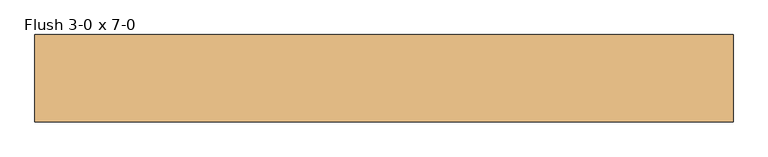
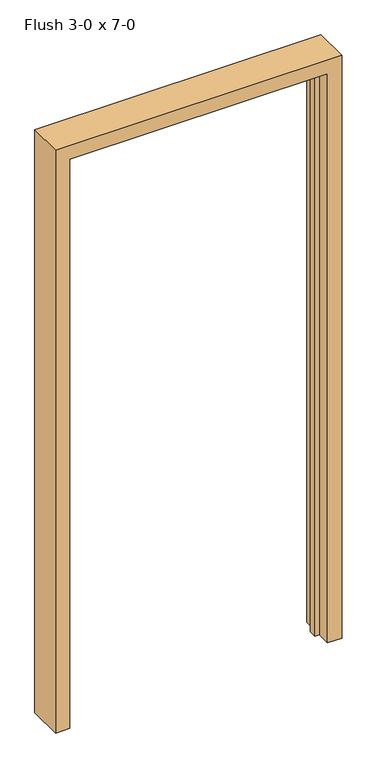
"""IFC4 building model written with IfcOpenShell, lengths in millimetres: door geometry, Flush 3-0 x 7-0."""

from ifc_helpers import new_model, si_unit, frame, origin, place, context, project, spatial, polyline, outline, extrude, source, transform, mapped, element, save


def flush_3_0_x_7_0_efbe05b8(model_context):
    return source(origin(), model_context, "Body", "SweptSolid", [
        extrude(outline(polyline([(0.0, 441.325), (0.0, 457.2), (2133.6, 457.2), (2133.6, -457.2), (0.0, -457.2), (0.0, -441.325), (2117.725, -441.325), (2117.725, 441.325), (0.0, 441.325)])), frame((0.0, -6.35, 0.0), z_axis=(0.0, 1.0, 0.0), x_axis=(0.0, 0.0, 1.0)), (0.0, 0.0, 1.0), 28.575),
        extrude(outline(polyline([(0.0, 457.2), (0.0, 508.0), (2184.4, 508.0), (2184.4, -508.0), (0.0, -508.0), (0.0, -457.2), (2133.6, -457.2), (2133.6, 457.2), (0.0, 457.2)])), frame((0.0, -55.5625, 0.0), z_axis=(0.0, 1.0, 0.0), x_axis=(0.0, 0.0, 1.0)), (0.0, 0.0, 1.0), 127.0),
    ])


if __name__ == "__main__":
    model = new_model("IFC4")
    model_context = context("Model", 3, world=origin())
    ifc_project = project(units=[si_unit("LENGTHUNIT", "METRE", prefix="MILLI")], contexts=[model_context])
    site = spatial("IfcSite", under=ifc_project)
    building = spatial("IfcBuilding", under=site)
    placement = place(None, origin())
    flush_3_0_x_7_0_shape = flush_3_0_x_7_0_efbe05b8(model_context)
    element("IfcDoor", 1, ObjectType="Flush 3-0 x 7-0", at=placement, inside=building, context=model_context, shape_type="MappedRepresentation", body=[
        mapped(flush_3_0_x_7_0_shape, transform((0.0, 0.0, 0.0), x_axis=(1.0, 0.0, 0.0), y_axis=(0.0, 1.0, 0.0), z_axis=(0.0, 0.0, 1.0))),
    ])
    save(model, "model.ifc")
